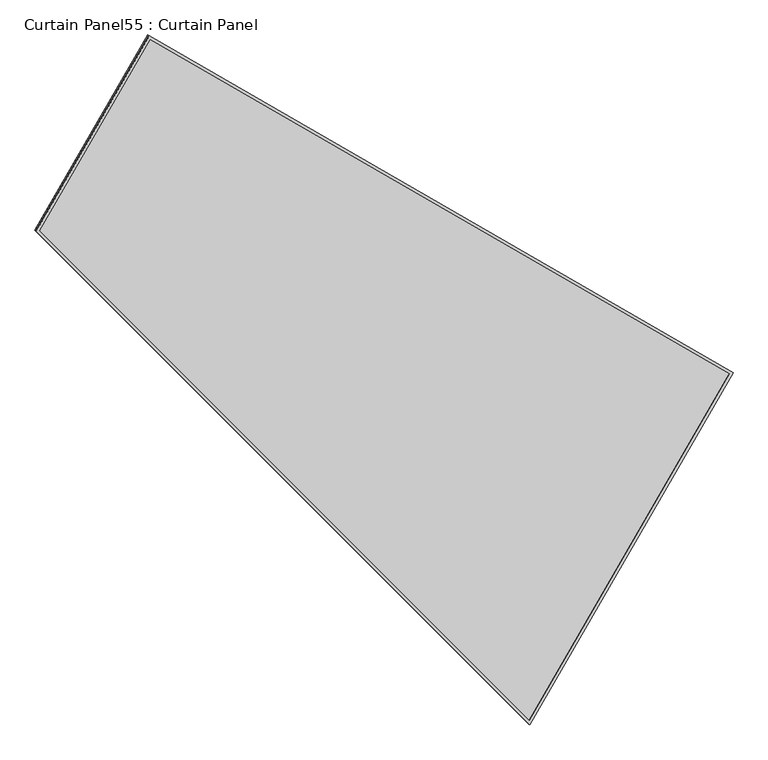
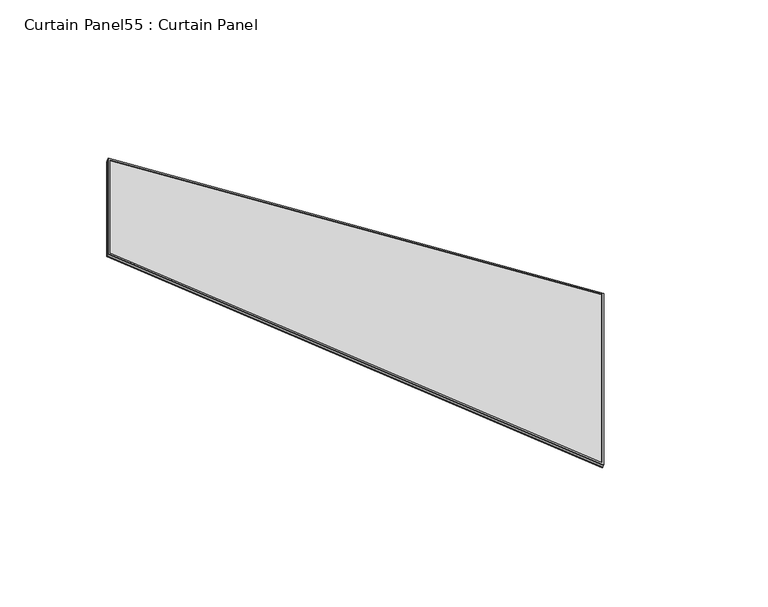
"""IFC4 building model written with IfcOpenShell, lengths in millimetres: plate geometry, Curtain Panel55 : Curtain Panel."""

from ifc_helpers import new_model, si_unit, frame, origin, place, context, project, spatial, polyline, outline, extrude, source, transform, mapped, element, save


def curtain_panel55_curtain_panel_a02929d5(model_context):
    return source(origin(), model_context, "Body", "SweptSolid", [
        extrude(outline(polyline([(903.3982323, -2842.2762639), (0.0, -2842.2762639), (0.0, 0.0), (1625.9225981, 1e-07), (903.3982323, -2842.2762639)]), holes=[polyline([(1611.6318023, -11.1125), (11.1125, -11.1125), (11.1125, -2831.1637639), (894.7571701, -2831.163764), (1611.6318023, -11.1125)])]), frame((19973.1832505, -4109.2825463, -9.1569079), z_axis=(0.2737903148616696, -0.15807291198689993, 0.9487106081329173), x_axis=(-0.5000000000000064, -0.8660254037844349, 0.0)), (0.0, 0.0, 1.0), 4.8465641),
        extrude(outline(polyline([(903.3982323, -2842.2762639), (0.0, -2842.276264), (0.0, 0.0), (1625.9225981, 1e-07), (903.3982323, -2842.2762639)]), holes=[polyline([(1611.6318023, -11.1124999), (11.1125, -11.1125), (11.1125, -2831.1637639), (894.7571701, -2831.1637639), (1611.6318023, -11.1124999)])]), frame((19968.3584493, -4106.496946, -25.8753228), z_axis=(0.2737903148616752, -0.15807291198690293, 0.9487106081329152), x_axis=(-0.5000000000000061, -0.8660254037844352, 0.0)), (0.0, 0.0, 1.0), 4.7659589),
        extrude(outline(polyline([(-963.9934777, -1e-07), (661.9291204, 0.0), (-60.5952454, -2842.276264), (-963.9934777, -2842.276264), (-963.9934777, -1e-07)])), frame((19487.6665839, -4942.0931558, -21.353807), z_axis=(0.27379031486167693, -0.15807291198690482, 0.9487106081329144), x_axis=(-0.5000000000000082, -0.8660254037844339, 0.0)), (0.0, 0.0, 1.0), 12.8562905),
    ])


if __name__ == "__main__":
    model = new_model("IFC4")
    model_context = context("Model", 3, world=origin())
    ifc_project = project(units=[si_unit("LENGTHUNIT", "METRE", prefix="MILLI")], contexts=[model_context])
    site = spatial("IfcSite", under=ifc_project)
    building = spatial("IfcBuilding", under=site)
    placement = place(None, origin())
    curtain_panel55_curtain_panel_shape = curtain_panel55_curtain_panel_a02929d5(model_context)
    element("IfcPlate", 1, ObjectType="Curtain Panel55 : Curtain Panel", at=placement, inside=building, context=model_context, shape_type="MappedRepresentation", body=[
        mapped(curtain_panel55_curtain_panel_shape, transform((0.0, 0.0, 0.0), x_axis=(1.0, 0.0, 0.0), y_axis=(0.0, 1.0, 0.0), z_axis=(0.0, 0.0, 1.0))),
    ])
    save(model, "model.ifc")
